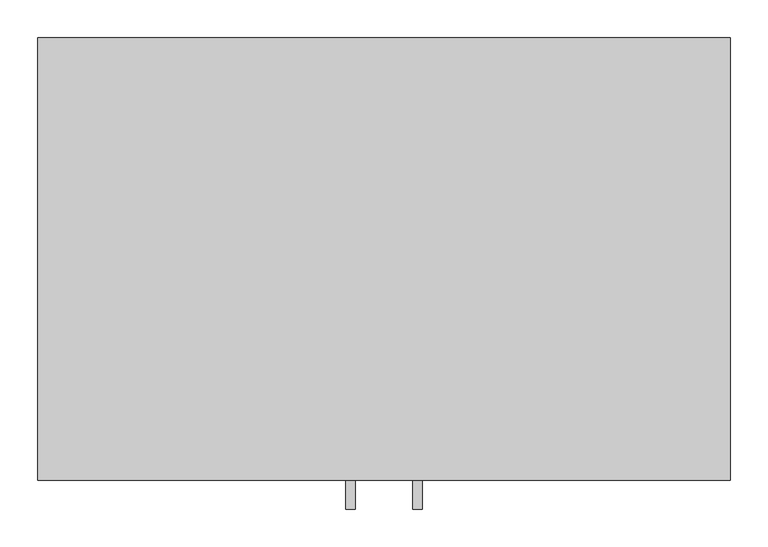
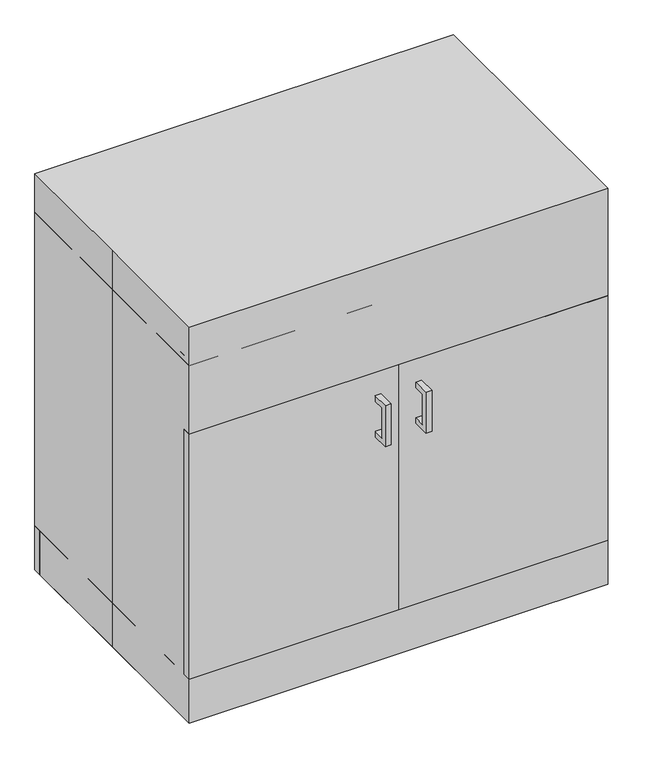
"""IFC4 building model written with IfcOpenShell, lengths in millimetres: proxy geometry."""

from ifc_helpers import new_model, si_unit, frame, origin, origin_with_axes, place, context, project, spatial, polyline, outline, extrude, source, transform, mapped, element, save


def specialty_equipment_0bb2218b(model_context):
    return source(origin(), model_context, "Body", "SweptSolid", [
        extrude(outline(polyline([(-330.2, 518.5968273), (-330.2, 613.8468273), (-292.1, 613.8468273), (-292.1, 601.1627573), (-317.5159299, 601.1627573), (-317.5159299, 531.2808974), (-292.1, 531.2808974), (-292.1, 518.5968273), (-330.2, 518.5968273)])), frame((38.1, 0.0, 0.0), z_axis=(1.0, 0.0, 0.0), x_axis=(0.0, 1.0, 0.0)), (0.0, 0.0, 1.0), 12.7),
        extrude(outline(polyline([(-330.2, 518.5968273), (-330.2, 613.8468273), (-292.1, 613.8468273), (-292.1, 601.1627573), (-317.5159299, 601.1627573), (-317.5159299, 531.2808974), (-292.1, 531.2808974), (-292.1, 518.5968273), (-330.2, 518.5968273)])), frame((-50.8, 0.0, 0.0), z_axis=(1.0, 0.0, 0.0), x_axis=(0.0, 1.0, 0.0)), (0.0, 0.0, 1.0), 12.7),
        extrude(outline(polyline([(0.0, -292.1), (-457.2, -292.1), (-457.2, -273.05), (0.0, -273.05), (0.0, -292.1)])), frame((0.0, 0.0, 101.6), z_axis=(0.0, 0.0, 1.0), x_axis=(1.0, 0.0, 0.0)), (0.0, 0.0, 1.0), 565.15),
        extrude(outline(polyline([(457.2, -292.1), (0.0, -292.1), (0.0, -273.05), (457.2, -273.05), (457.2, -292.1)])), frame((0.0, 0.0, 101.6), z_axis=(0.0, 0.0, 1.0), x_axis=(1.0, 0.0, 0.0)), (0.0, 0.0, 1.0), 565.15),
        extrude(outline(polyline([(-457.2, 292.1), (457.2, 292.1), (457.2, -292.1), (-457.2, -292.1), (-457.2, 0.0), (-457.2, 292.1)])), origin_with_axes(), (0.0, 0.0, 1.0), 914.4),
        extrude(outline(polyline([(438.15, -260.35), (438.15, -273.05), (-438.15, -273.05), (-438.15, -260.35), (438.15, -260.35)])), frame((0.0, 0.0, 641.0750636), z_axis=(0.0, 0.0, 1.0), x_axis=(1.0, 0.0, 0.0)), (0.0, 0.0, 1.0), 51.0749364),
        extrude(outline(polyline([(457.2, -292.1), (-457.2, -292.1), (-457.2, -273.05), (457.2, -273.05), (457.2, -292.1)])), frame((0.0, 0.0, 673.1), z_axis=(0.0, 0.0, 1.0), x_axis=(1.0, 0.0, 0.0)), (0.0, 0.0, 1.0), 152.4),
        extrude(outline(polyline([(-457.2, -273.05), (-457.2, 292.1), (-438.15, 292.1), (-438.15, -273.05), (-457.2, -273.05)])), frame((0.0, 0.0, 101.6), z_axis=(0.0, 0.0, 1.0), x_axis=(1.0, 0.0, 0.0)), (0.0, 0.0, 1.0), 723.9),
        extrude(outline(polyline([(438.15, -273.05), (438.15, 292.1), (457.2, 292.1), (457.2, -273.05), (438.15, -273.05)])), frame((0.0, 0.0, 101.6), z_axis=(0.0, 0.0, 1.0), x_axis=(1.0, 0.0, 0.0)), (0.0, 0.0, 1.0), 723.9),
        extrude(outline(polyline([(457.2, -260.35), (457.2, -273.05), (-457.2, -273.05), (-457.2, -260.35), (457.2, -260.35)])), frame((0.0, 0.0, 825.5), z_axis=(0.0, 0.0, 1.0), x_axis=(1.0, 0.0, 0.0)), (0.0, 0.0, 1.0), 12.7),
        extrude(outline(polyline([(457.2, -234.95), (-457.2, -234.95), (-457.2, -215.9), (457.2, -215.9), (457.2, -234.95)])), origin_with_axes(), (0.0, 0.0, 1.0), 101.6),
        extrude(outline(polyline([(-457.2, -215.9), (-457.2, 292.1), (-438.15, 292.1), (-438.15, -215.9), (-457.2, -215.9)])), origin_with_axes(), (0.0, 0.0, 1.0), 101.6),
        extrude(outline(polyline([(438.15, -215.9), (438.15, 285.75), (457.2, 285.75), (457.2, -215.9), (438.15, -215.9)])), origin_with_axes(), (0.0, 0.0, 1.0), 101.6),
        extrude(outline(polyline([(457.2, 273.05), (-457.2, 273.05), (-457.2, 292.1), (457.2, 292.1), (457.2, 273.05)])), origin_with_axes(), (0.0, 0.0, 1.0), 101.6),
        extrude(outline(polyline([(438.15, 273.05), (438.15, -273.05), (-438.15, -273.05), (-438.15, 273.05), (438.15, 273.05)])), frame((0.0, 0.0, 101.6), z_axis=(0.0, 0.0, 1.0), x_axis=(1.0, 0.0, 0.0)), (0.0, 0.0, 1.0), 19.1166954),
        extrude(outline(polyline([(438.15, 273.05), (-438.15, 273.05), (-438.15, 292.1), (438.15, 292.1), (438.15, 273.05)])), frame((0.0, 0.0, 101.6), z_axis=(0.0, 0.0, 1.0), x_axis=(1.0, 0.0, 0.0)), (0.0, 0.0, 1.0), 704.85),
    ])


if __name__ == "__main__":
    model = new_model("IFC4")
    model_context = context("Model", 3, world=origin())
    ifc_project = project(units=[si_unit("LENGTHUNIT", "METRE", prefix="MILLI")], contexts=[model_context])
    site = spatial("IfcSite", under=ifc_project)
    building = spatial("IfcBuilding", under=site)
    placement = place(None, origin())
    specialty_equipment_shape = specialty_equipment_0bb2218b(model_context)
    element("IfcBuildingElementProxy", 1, Name="Specialty Equipment", at=placement, inside=building, context=model_context, shape_type="MappedRepresentation", body=[
        mapped(specialty_equipment_shape, transform((0.0, 0.0, 0.0), x_axis=(1.0, 0.0, 0.0), y_axis=(0.0, 1.0, 0.0), z_axis=(0.0, 0.0, 1.0))),
    ])
    save(model, "model.ifc")
